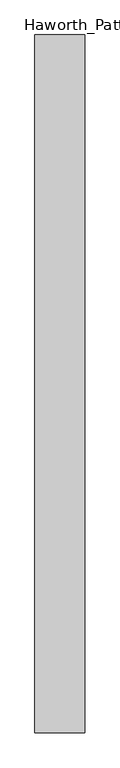
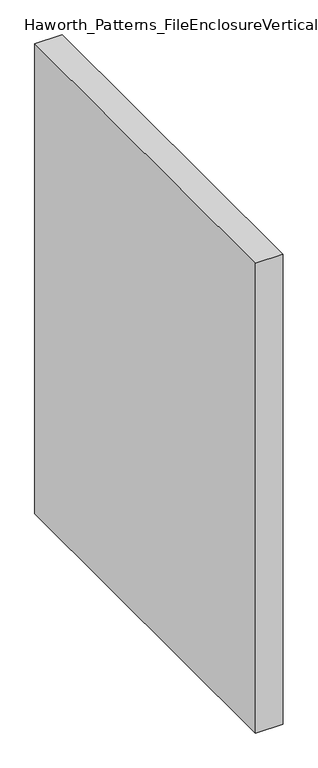
"""IFC4 building model written with IfcOpenShell, lengths in millimetres: furniture geometry, Haworth_Patterns_FileEnclosureVertical : 54.5h 42d."""

from ifc_helpers import new_model, si_unit, origin, origin_with_axes, place, context, project, spatial, polyline, outline, extrude, source, transform, mapped, element, save


def haworth_patterns_fileenclosurevertical_54_5h_42d_4f4f17dd(model_context):
    return source(origin(), model_context, "Body", "SweptSolid", [
        extrude(outline(polyline([(-38.1, 0.0), (38.1, 0.0), (38.1, -1066.8), (-38.1, -1066.8), (-38.1, 0.0)])), origin_with_axes(), (0.0, 0.0, 1.0), 1384.3),
        extrude(outline(polyline([(38.1, 0.0), (38.1, -1066.8), (-38.1, -1066.8), (-38.1, 0.0), (38.1, 0.0)])), origin_with_axes(), (0.0, 0.0, 1.0), 1384.3),
    ])


if __name__ == "__main__":
    model = new_model("IFC4")
    model_context = context("Model", 3, world=origin())
    ifc_project = project(units=[si_unit("LENGTHUNIT", "METRE", prefix="MILLI")], contexts=[model_context])
    site = spatial("IfcSite", under=ifc_project)
    building = spatial("IfcBuilding", under=site)
    placement = place(None, origin())
    haworth_patterns_fileenclosurevertical_54_5h_42d_shape = haworth_patterns_fileenclosurevertical_54_5h_42d_4f4f17dd(model_context)
    element("IfcFurniture", 1, ObjectType="Haworth_Patterns_FileEnclosureVertical : 54.5h 42d", at=placement, inside=building, context=model_context, shape_type="MappedRepresentation", body=[
        mapped(haworth_patterns_fileenclosurevertical_54_5h_42d_shape, transform((0.0, 0.0, 0.0), x_axis=(1.0, 0.0, 0.0), y_axis=(0.0, 1.0, 0.0), z_axis=(0.0, 0.0, 1.0))),
    ])
    save(model, "model.ifc")
